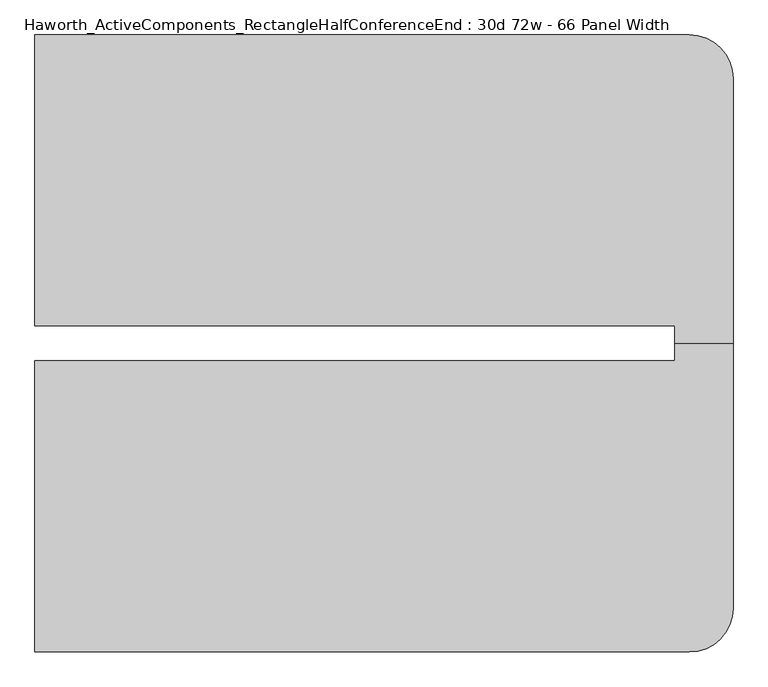
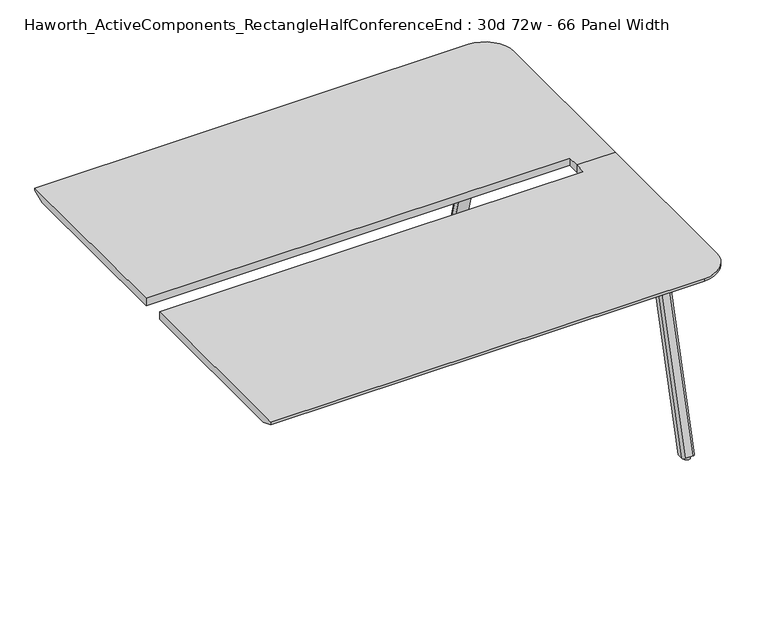
"""IFC4 building model written with IfcOpenShell, lengths in millimetres: furniture geometry, Haworth_ActiveComponents_RectangleHalfConferenceEnd : 30d 72w - 66 Panel Width."""

from ifc_helpers import new_model, si_unit, point, frame, frame_2d, origin, origin_with_axes, place, context, project, spatial, polyline, circle_curve, trimmed, segment, composite_curve, outline, extrude, source, transform, mapped, element, save
from ifc_brep_helpers import plane_surface, cylinder_surface, revolved_surface, extruded_surface, advanced_brep


def haworth_activecomponents_rectanglehalfconferenceend_30d_72w_458c0803(model_context):
    return source(origin(), model_context, "Body", "SolidModel", [
        extrude(outline(composite_curve([segment(polyline([(1209.294, 817.7910641), (1101.3440004, 817.7910641)]), True, "CONTINUOUS"), segment(trimmed(circle_curve(frame_2d((1101.3440004, 827.3160641)), 9.525), [point((1101.3440004, 817.7910641))], [point((1091.8190004, 827.3160641))], False, "CARTESIAN"), True, "CONTINUOUS"), segment(polyline([(1091.8190004, 827.3160641), (1091.8190004, 909.9894335)]), True, "CONTINUOUS"), segment(trimmed(circle_curve(frame_2d((1101.3440004, 909.9894335)), 9.525), [point((1091.8190004, 909.9894335))], [point((1101.3440004, 919.5144335))], False, "CARTESIAN"), True, "CONTINUOUS"), segment(polyline([(1101.3440004, 919.5144335), (1209.294, 919.5144335)]), True, "CONTINUOUS"), segment(trimmed(circle_curve(frame_2d((1209.294, 909.9894335)), 9.525), [point((1209.294, 919.5144335))], [point((1218.819, 909.9894335))], False, "CARTESIAN"), True, "CONTINUOUS"), segment(polyline([(1218.819, 909.9894335), (1218.819, 827.3160641)]), True, "CONTINUOUS"), segment(trimmed(circle_curve(frame_2d((1209.294, 827.3160641)), 9.525), [point((1218.819, 827.3160641))], [point((1209.294, 817.7910641))], False, "CARTESIAN"), True, "CONTINUOUS")], self_intersect=False)), frame((0.0, 0.0, 705.2055742), z_axis=(0.0, 0.0, 1.0), x_axis=(1.0, 0.0, 0.0)), (0.0, 0.0, 1.0), 5.9944258),
        advanced_brep(
        [(1203.325, 912.2902734, 705.2055742), (1171.575, 912.2902734, 705.2055742), (1162.05, 902.7652734, 705.2055742), (1162.05, 882.1277734, 705.2055742), (1212.85, 882.1277734, 705.2055742), (1212.85, 902.7652734, 705.2055742), (1203.325, 1098.7785641, 12.7), (1212.85, 1089.2535641, 12.7), (1212.85, 1068.6160641, 12.7), (1162.05, 1068.6160641, 12.7), (1162.05, 1089.2535641, 12.7), (1171.575, 1098.7785641, 12.7)],
        [
            (0, 1),
            (1, 2, circle_curve(frame((1171.575, 902.7652734, 705.2055742), z_axis=(0.0, 0.0, 1.0), x_axis=(1.0, 0.0, 0.0)), 9.525)),
            (2, 3),
            (3, 4),
            (4, 5),
            (5, 0, circle_curve(frame((1203.325, 902.7652734, 705.2055742), z_axis=(0.0, 0.0, 1.0), x_axis=(1.0, 0.0, 0.0)), 9.525)),
            (6, 7, circle_curve(frame((1203.325, 1089.2535641, 12.7), z_axis=(0.0, 0.0, -1.0), x_axis=(1.0, 0.0, 0.0)), 9.525)),
            (7, 8),
            (8, 9),
            (9, 10),
            (10, 11, circle_curve(frame((1171.575, 1089.2535641, 12.7), z_axis=(0.0, 0.0, -1.0), x_axis=(1.0, 0.0, 0.0)), 9.525)),
            (11, 6),
            (6, 0),
            (5, 7),
            (4, 8),
            (3, 9),
            (2, 10),
            (1, 11),
        ],
        [
            plane_surface(frame((1187.45, 899.0611068, 705.2055742), z_axis=(0.0, 0.0, 1.0), x_axis=(-1.0, 0.0, 0.0))),
            plane_surface(frame((1187.45, 1085.5493975, 12.7), z_axis=(0.0, 0.0, -1.0), x_axis=(-1.0, 0.0, 0.0))),
            extruded_surface(trimmed(circle_curve(frame((1203.325, 902.7652734, 705.2055742), z_axis=(0.0, 0.0, -1.0), x_axis=(1.0, 0.0, 0.0)), 9.525), [point((1203.325, 912.2902734, 705.2055742))], [point((1212.85, 902.7652734, 705.2055742))], True, "CARTESIAN"), (0.0, 186.4882907, -692.5055742), 717.1763052878136),
            plane_surface(frame((1212.85, 1078.9348141, 12.7), z_axis=(1.0, 0.0, 0.0), x_axis=(0.0, -1.0, 0.0))),
            plane_surface(frame((1187.45, 1068.6160641, 12.7), z_axis=(0.0, -0.9656001865922422, -0.260031305140414), x_axis=(-1.0, 0.0, 0.0))),
            plane_surface(frame((1162.05, 1078.9348141, 12.7), z_axis=(-1.0, 0.0, 0.0), x_axis=(0.0, 1.0, 0.0))),
            extruded_surface(trimmed(circle_curve(frame((1171.575, 902.7652734, 705.2055742), z_axis=(0.0, 0.0, -1.0), x_axis=(1.0, 0.0, 0.0)), 9.525), [point((1162.05, 902.7652734, 705.2055742))], [point((1171.575, 912.2902734, 705.2055742))], True, "CARTESIAN"), (0.0, 186.4882907, -692.5055742), 717.1763052878136),
            plane_surface(frame((1187.45, 1098.7785641, 12.7), z_axis=(0.0, 0.9656001865922422, 0.260031305140414), x_axis=(1.0, 0.0, 0.0))),
        ],
        [
            (0, [[1, 2, 3, 4, 5, 6]]),
            (1, [[7, 8, 9, 10, 11, 12]]),
            (2, [[13, -6, 14, -7]]),
            (3, [[-14, -5, 15, -8]]),
            (4, [[-15, -4, 16, -9]]),
            (5, [[-16, -3, 17, -10]]),
            (6, [[-17, -2, 18, -11]]),
            (7, [[-18, -1, -13, -12]]),
        ],
    ),
        extrude(outline(composite_curve([segment(trimmed(circle_curve(frame_2d((1187.45, 1082.9035641)), 12.7), [point((1174.75, 1082.9035641))], [point((1200.15, 1082.9035641))], False, "CARTESIAN"), True, "CONTINUOUS"), segment(trimmed(circle_curve(frame_2d((1187.45, 1082.9035641)), 12.7), [point((1200.15, 1082.9035641))], [point((1174.75, 1082.9035641))], False, "CARTESIAN"), True, "CONTINUOUS")], self_intersect=False)), origin_with_axes(), (0.0, 0.0, 1.0), 12.7),
        advanced_brep(
        [(1206.5, 341.5840234, 741.3625), (1206.5, 295.5465234, 741.3625), (1358.9, 295.5465234, 741.3625), (1358.9, 989.2840234, 741.3625), (1244.6, 1103.5840234, 741.3625), (-469.9, 1103.5840234, 741.3625), (-469.9, 341.5840234, 741.3625), (1206.5, 341.5840234, 711.2), (-469.9, 341.5840234, 711.2), (-469.9, 1052.7840234, 711.2), (1244.6, 1052.7840234, 711.2), (1308.1, 989.2840234, 711.2), (1308.1, 295.5465234, 711.2), (1206.5, 295.5465234, 711.2), (-469.9, 1103.5840234, 731.8375), (1244.6, 1103.5840234, 731.8375), (1358.9, 295.5465234, 731.8375), (1358.9, 989.2840234, 731.8375)],
        [
            (0, 1),
            (1, 2),
            (2, 3),
            (3, 4, circle_curve(frame((1244.6, 989.2840234, 741.3625), z_axis=(0.0, 0.0, 1.0), x_axis=(1.0, 0.0, 0.0)), 114.3)),
            (4, 5),
            (5, 6),
            (6, 0),
            (7, 8),
            (8, 9),
            (9, 10),
            (10, 11, circle_curve(frame((1244.6, 989.2840234, 711.2), z_axis=(0.0, 0.0, -1.0), x_axis=(0.0, 1.0, 0.0)), 63.5)),
            (11, 12),
            (12, 13),
            (13, 7),
            (6, 8),
            (7, 0),
            (5, 14),
            (14, 9),
            (4, 15),
            (15, 14),
            (2, 16),
            (16, 17),
            (17, 3),
            (17, 15, circle_curve(frame((1244.6, 989.2840234, 731.8375), z_axis=(0.0, 0.0, 1.0), x_axis=(1.0, 0.0, 0.0)), 114.3)),
            (1, 13),
            (12, 16),
            (15, 10),
            (17, 11),
        ],
        [
            plane_surface(frame((-469.9, 341.5840234, 741.3625), z_axis=(0.0, 0.0, 1.0), x_axis=(-1.0, 0.0, 0.0))),
            plane_surface(frame((-469.9, 341.5840234, 711.2), z_axis=(0.0, 0.0, -1.0), x_axis=(1.0, 0.0, 0.0))),
            plane_surface(frame((1206.5, 341.5840234, 741.3625), z_axis=(0.0, -1.0, 0.0), x_axis=(0.0, 0.0, -1.0))),
            plane_surface(frame((-469.9, 341.5840234, 741.3625), z_axis=(-1.0, 0.0, 0.0), x_axis=(0.0, 0.0, -1.0))),
            plane_surface(frame((-469.9, 1103.5840234, 741.3625), z_axis=(0.0, 1.0, 0.0), x_axis=(0.0, 0.0, -1.0))),
            plane_surface(frame((1358.9, 989.2840234, 741.3625), z_axis=(1.0, 0.0, 0.0), x_axis=(0.0, 0.0, -1.0))),
            cylinder_surface(frame((1244.6, 989.2840234, 711.2), z_axis=(0.0, 0.0, 1.0), x_axis=(1.0, 0.0, 0.0)), 114.3),
            plane_surface(frame((1358.9, 295.5465234, 741.3625), z_axis=(0.0, -1.0, 0.0), x_axis=(0.0, 0.0, -1.0))),
            plane_surface(frame((1206.5, 295.5465234, 741.3625), z_axis=(-1.0, 0.0, 0.0), x_axis=(0.0, 0.0, -1.0))),
            plane_surface(frame((-469.9, 1103.5840234, 731.8375), z_axis=(0.0, 0.3763770469570871, -0.9264665771218423), x_axis=(1.0, 0.0, 0.0))),
            revolved_surface(polyline([(1244.6, 1052.7840234, 711.2), (1244.6, 1103.5840234, 731.8375)]), (1244.6, 989.2840234, 0.0), (0.0, 0.0, 1.0)),
            plane_surface(frame((1358.9, 989.2840234, 731.8375), z_axis=(0.3763770469570871, 0.0, -0.9264665771218423), x_axis=(0.0, -1.0, 0.0))),
        ],
        [
            (0, [[1, 2, 3, 4, 5, 6, 7]]),
            (1, [[8, 9, 10, 11, 12, 13, 14]]),
            (2, [[15, -8, 16, -7]]),
            (3, [[17, 18, -9, -15, -6]]),
            (4, [[19, 20, -17, -5]]),
            (5, [[21, 22, 23, -3]]),
            (6, [[-23, 24, -19, -4]]),
            (7, [[25, -13, 26, -21, -2]]),
            (8, [[-16, -14, -25, -1]]),
            (9, [[-10, -18, -20, 27]]),
            (10, [[-24, 28, -11, -27]]),
            (11, [[-22, -26, -12, -28]]),
        ],
    ),
        extrude(outline(composite_curve([segment(trimmed(circle_curve(frame_2d((1209.294, -236.2230172)), 9.525), [point((1209.294, -226.6980172))], [point((1218.819, -236.2230172))], False, "CARTESIAN"), True, "CONTINUOUS"), segment(polyline([(1218.819, -236.2230172), (1218.819, -318.8963866)]), True, "CONTINUOUS"), segment(trimmed(circle_curve(frame_2d((1209.294, -318.8963866)), 9.525), [point((1218.819, -318.8963866))], [point((1209.294, -328.4213866))], False, "CARTESIAN"), True, "CONTINUOUS"), segment(polyline([(1209.294, -328.4213866), (1101.3440004, -328.4213866)]), True, "CONTINUOUS"), segment(trimmed(circle_curve(frame_2d((1101.3440004, -318.8963866)), 9.525), [point((1101.3440004, -328.4213866))], [point((1091.8190004, -318.8963866))], False, "CARTESIAN"), True, "CONTINUOUS"), segment(polyline([(1091.8190004, -318.8963866), (1091.8190004, -236.2230172)]), True, "CONTINUOUS"), segment(trimmed(circle_curve(frame_2d((1101.3440004, -236.2230172)), 9.525), [point((1091.8190004, -236.2230172))], [point((1101.3440004, -226.6980172))], False, "CARTESIAN"), True, "CONTINUOUS"), segment(polyline([(1101.3440004, -226.6980172), (1209.294, -226.6980172)]), True, "CONTINUOUS")], self_intersect=False)), frame((0.0, 0.0, 705.2055742), z_axis=(0.0, 0.0, 1.0), x_axis=(1.0, 0.0, 0.0)), (0.0, 0.0, 1.0), 5.9944258),
        advanced_brep(
        [(1203.325, -321.1972266, 705.2055742), (1212.85, -311.6722266, 705.2055742), (1212.85, -291.0347266, 705.2055742), (1162.05, -291.0347266, 705.2055742), (1162.05, -311.6722266, 705.2055742), (1171.575, -321.1972266, 705.2055742), (1203.325, -507.6855172, 12.7), (1171.575, -507.6855172, 12.7), (1162.05, -498.1605172, 12.7), (1162.05, -477.5230172, 12.7), (1212.85, -477.5230172, 12.7), (1212.85, -498.1605172, 12.7)],
        [
            (0, 1, circle_curve(frame((1203.325, -311.6722266, 705.2055742), z_axis=(0.0, 0.0, 1.0), x_axis=(1.0, 0.0, 0.0)), 9.525)),
            (1, 2),
            (2, 3),
            (3, 4),
            (4, 5, circle_curve(frame((1171.575, -311.6722266, 705.2055742), z_axis=(0.0, 0.0, 1.0), x_axis=(1.0, 0.0, 0.0)), 9.525)),
            (5, 0),
            (6, 7),
            (7, 8, circle_curve(frame((1171.575, -498.1605172, 12.7), z_axis=(0.0, 0.0, -1.0), x_axis=(1.0, 0.0, 0.0)), 9.525)),
            (8, 9),
            (9, 10),
            (10, 11),
            (11, 6, circle_curve(frame((1203.325, -498.1605172, 12.7), z_axis=(0.0, 0.0, -1.0), x_axis=(1.0, 0.0, 0.0)), 9.525)),
            (11, 1),
            (0, 6),
            (10, 2),
            (9, 3),
            (8, 4),
            (7, 5),
        ],
        [
            plane_surface(frame((1187.45, -307.9680599, 705.2055742), z_axis=(0.0, 0.0, 1.0), x_axis=(-1.0, 0.0, 0.0))),
            plane_surface(frame((1187.45, -494.4563506, 12.7), z_axis=(0.0, 0.0, -1.0), x_axis=(-1.0, 0.0, 0.0))),
            extruded_surface(trimmed(circle_curve(frame((1203.325, -498.1605172, 12.7), z_axis=(0.0, 0.0, 1.0), x_axis=(1.0, 0.0, 0.0)), 9.525), [point((1203.325, -507.6855172, 12.7))], [point((1212.85, -498.1605172, 12.7))], True, "CARTESIAN"), (0.0, 186.48829060000003, 692.5055742), 717.1763052618106),
            plane_surface(frame((1212.85, -487.8417672, 12.7), z_axis=(1.0, 0.0, 0.0), x_axis=(0.0, 1.0, 0.0))),
            plane_surface(frame((1187.45, -477.5230172, 12.7), z_axis=(0.0, 0.9656001865922422, -0.260031305140414), x_axis=(-1.0, 0.0, 0.0))),
            plane_surface(frame((1162.05, -487.8417672, 12.7), z_axis=(-1.0, 0.0, 0.0), x_axis=(0.0, -1.0, 0.0))),
            extruded_surface(trimmed(circle_curve(frame((1171.575, -498.1605172, 12.7), z_axis=(0.0, 0.0, 1.0), x_axis=(1.0, 0.0, 0.0)), 9.525), [point((1162.05, -498.1605172, 12.7))], [point((1171.575, -507.6855172, 12.7))], True, "CARTESIAN"), (0.0, 186.48829060000003, 692.5055742), 717.1763052618106),
            plane_surface(frame((1187.45, -507.6855172, 12.7), z_axis=(0.0, -0.9656001865922422, 0.260031305140414), x_axis=(1.0, 0.0, 0.0))),
        ],
        [
            (0, [[1, 2, 3, 4, 5, 6]]),
            (1, [[7, 8, 9, 10, 11, 12]]),
            (2, [[-12, 13, -1, 14]]),
            (3, [[-11, 15, -2, -13]]),
            (4, [[-10, 16, -3, -15]]),
            (5, [[-9, 17, -4, -16]]),
            (6, [[-8, 18, -5, -17]]),
            (7, [[-7, -14, -6, -18]]),
        ],
    ),
        extrude(outline(composite_curve([segment(trimmed(circle_curve(frame_2d((1187.45, -491.8105172)), 12.7), [point((1174.75, -491.8105172))], [point((1200.15, -491.8105172))], False, "CARTESIAN"), True, "CONTINUOUS"), segment(trimmed(circle_curve(frame_2d((1187.45, -491.8105172)), 12.7), [point((1200.15, -491.8105172))], [point((1174.75, -491.8105172))], False, "CARTESIAN"), True, "CONTINUOUS")], self_intersect=False)), origin_with_axes(), (0.0, 0.0, 1.0), 12.7),
        advanced_brep(
        [(1206.5, 249.5090234, 741.3625), (-469.9, 249.5090234, 741.3625), (-469.9, -512.4909766, 741.3625), (1244.6, -512.4909766, 741.3625), (1358.9, -398.1909766, 741.3625), (1358.9, 295.5465234, 741.3625), (1206.5, 295.5465234, 741.3625), (1206.5, 249.5090234, 711.2), (1206.5, 295.5465234, 711.2), (1308.1, 295.5465234, 711.2), (1308.1, -398.1909766, 711.2), (1244.6, -461.6909766, 711.2), (-469.9, -461.6909766, 711.2), (-469.9, 249.5090234, 711.2), (-469.9, -512.4909766, 731.8375), (1244.6, -512.4909766, 731.8375), (1358.9, -398.1909766, 731.8375), (1358.9, 295.5465234, 731.8375)],
        [
            (0, 1),
            (1, 2),
            (2, 3),
            (3, 4, circle_curve(frame((1244.6, -398.1909766, 741.3625), z_axis=(0.0, 0.0, 1.0), x_axis=(1.0, 0.0, 0.0)), 114.3)),
            (4, 5),
            (5, 6),
            (6, 0),
            (7, 8),
            (8, 9),
            (9, 10),
            (10, 11, circle_curve(frame((1244.6, -398.1909766, 711.2), z_axis=(0.0, 0.0, -1.0), x_axis=(0.0, -1.0, 0.0)), 63.5)),
            (11, 12),
            (12, 13),
            (13, 7),
            (0, 7),
            (13, 1),
            (12, 14),
            (14, 2),
            (14, 15),
            (15, 3),
            (4, 16),
            (16, 17),
            (17, 5),
            (15, 16, circle_curve(frame((1244.6, -398.1909766, 731.8375), z_axis=(0.0, 0.0, 1.0), x_axis=(1.0, 0.0, 0.0)), 114.3)),
            (17, 9),
            (8, 6),
            (11, 15),
            (10, 16),
        ],
        [
            plane_surface(frame((-469.9, 249.5090234, 741.3625), z_axis=(0.0, 0.0, 1.0), x_axis=(-1.0, 0.0, 0.0))),
            plane_surface(frame((-469.9, 249.5090234, 711.2), z_axis=(0.0, 0.0, -1.0), x_axis=(1.0, 0.0, 0.0))),
            plane_surface(frame((1206.5, 249.5090234, 741.3625), z_axis=(0.0, 1.0, 0.0), x_axis=(0.0, 0.0, -1.0))),
            plane_surface(frame((-469.9, 249.5090234, 741.3625), z_axis=(-1.0, 0.0, 0.0), x_axis=(0.0, 0.0, -1.0))),
            plane_surface(frame((-469.9, -512.4909766, 741.3625), z_axis=(0.0, -1.0, 0.0), x_axis=(0.0, 0.0, -1.0))),
            plane_surface(frame((1358.9, -398.1909766, 741.3625), z_axis=(1.0, 0.0, 0.0), x_axis=(0.0, 0.0, -1.0))),
            cylinder_surface(frame((1244.6, -398.1909766, 711.2), z_axis=(0.0, 0.0, 1.0), x_axis=(1.0, 0.0, 0.0)), 114.3),
            plane_surface(frame((1358.9, 295.5465234, 741.3625), z_axis=(0.0, 1.0, 0.0), x_axis=(0.0, 0.0, -1.0))),
            plane_surface(frame((1206.5, 295.5465234, 741.3625), z_axis=(-1.0, 0.0, 0.0), x_axis=(0.0, 0.0, -1.0))),
            plane_surface(frame((-469.9, -512.4909766, 731.8375), z_axis=(0.0, -0.3763770469570871, -0.9264665771218423), x_axis=(1.0, 0.0, 0.0))),
            revolved_surface(polyline([(1244.6, -461.6909766, 711.2), (1244.6, -512.4909766, 731.8375)]), (1244.6, -398.1909766, 0.0), (0.0, 0.0, 1.0)),
            plane_surface(frame((1358.9, -398.1909766, 731.8375), z_axis=(0.3763770469570871, 0.0, -0.9264665771218423), x_axis=(0.0, 1.0, 0.0))),
        ],
        [
            (0, [[1, 2, 3, 4, 5, 6, 7]]),
            (1, [[8, 9, 10, 11, 12, 13, 14]]),
            (2, [[-1, 15, -14, 16]]),
            (3, [[-2, -16, -13, 17, 18]]),
            (4, [[-3, -18, 19, 20]]),
            (5, [[-5, 21, 22, 23]]),
            (6, [[-4, -20, 24, -21]]),
            (7, [[-6, -23, 25, -9, 26]]),
            (8, [[-7, -26, -8, -15]]),
            (9, [[27, -19, -17, -12]]),
            (10, [[-27, -11, 28, -24]]),
            (11, [[-28, -10, -25, -22]]),
        ],
    ),
    ])


if __name__ == "__main__":
    model = new_model("IFC4")
    model_context = context("Model", 3, world=origin())
    ifc_project = project(units=[si_unit("LENGTHUNIT", "METRE", prefix="MILLI")], contexts=[model_context])
    site = spatial("IfcSite", under=ifc_project)
    building = spatial("IfcBuilding", under=site)
    placement = place(None, origin())
    haworth_activecomponents_rectanglehalfconferenceend_30d_72w_shape = haworth_activecomponents_rectanglehalfconferenceend_30d_72w_458c0803(model_context)
    element("IfcFurniture", 1, ObjectType="Haworth_ActiveComponents_RectangleHalfConferenceEnd : 30d 72w - 66 Panel Width", at=placement, inside=building, context=model_context, shape_type="MappedRepresentation", body=[
        mapped(haworth_activecomponents_rectanglehalfconferenceend_30d_72w_shape, transform((0.0, 0.0, 0.0), x_axis=(1.0, 0.0, 0.0), y_axis=(0.0, 1.0, 0.0), z_axis=(0.0, 0.0, 1.0))),
    ])
    save(model, "model.ifc")
